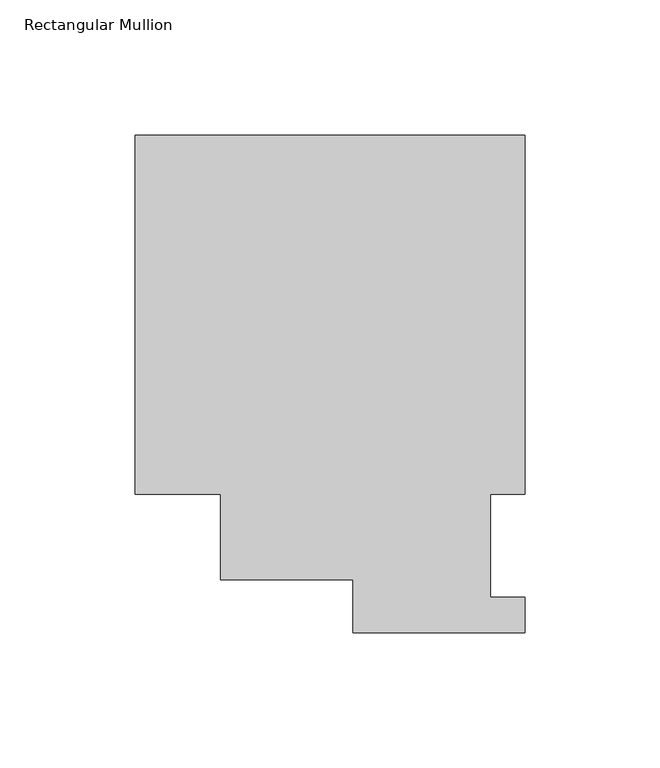
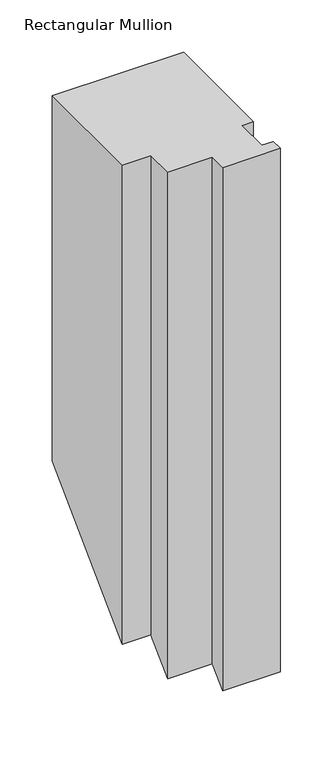
"""IFC4 building model written with IfcOpenShell, lengths in millimetres: member geometry, Rectangular Mullion."""

from ifc_helpers import new_model, si_unit, origin, place, context, project, spatial, faceted_brep, source, transform, mapped, element, save


def rectangular_mullion_46b6cf63(model_context):
    return source(origin(), model_context, "Body", "Brep", [
        faceted_brep([(0.0, 184.2396937, 0.0), (-144.3735814, 184.2396937, 0.0), (-144.3735814, 51.2960938, 0.0), (-112.6644875, 51.2960937, 0.0), (-112.6644875, 19.5430757, 0.0), (-63.5000001, 19.5430757, 0.0), (-63.5000001, 0.0134938, 0.0), (0.0, 0.0134938, 0.0), (0.0, 13.1960938, 0.0), (-12.6873001, 13.1960938, 0.0), (-12.6873001, 51.2960938, 0.0), (0.0, 51.2960937, 0.0), (0.0, 51.2960938, -558.2721563), (0.0, 184.2396937, -425.3285563), (-12.6873001, 51.2960937, -558.2721563), (-12.6873001, 13.1960938, -596.3721562), (0.0, 13.1960938, -596.3721562), (0.0, 0.0134938, -609.5547562), (-63.5000001, 0.0134938, -609.5547562), (-63.5000001, 19.5430757, -590.0251743), (-112.6644875, 19.5430757, -590.0251743), (-112.6644875, 51.2960937, -558.2721563), (-144.3735814, 51.2960938, -558.2721562), (-144.3735814, 184.2396937, -425.3285563)], [[[0, 1, 2, 3, 4, 5, 6, 7, 8, 9, 10, 11]], [[0, 11, 12, 13]], [[11, 10, 14, 12]], [[10, 9, 15, 14]], [[9, 8, 16, 15]], [[8, 7, 17, 16]], [[7, 6, 18, 17]], [[6, 5, 19, 18]], [[5, 4, 20, 19]], [[4, 3, 21, 20]], [[3, 2, 22, 21]], [[2, 1, 23, 22]], [[1, 0, 13, 23]], [[13, 12, 14, 15, 16, 17, 18, 19, 20, 21, 22, 23]]]),
    ])


if __name__ == "__main__":
    model = new_model("IFC4")
    model_context = context("Model", 3, world=origin())
    ifc_project = project(units=[si_unit("LENGTHUNIT", "METRE", prefix="MILLI")], contexts=[model_context])
    site = spatial("IfcSite", under=ifc_project)
    building = spatial("IfcBuilding", under=site)
    placement = place(None, origin())
    rectangular_mullion_shape = rectangular_mullion_46b6cf63(model_context)
    element("IfcMember", 1, ObjectType="Rectangular Mullion", at=placement, inside=building, context=model_context, shape_type="MappedRepresentation", body=[
        mapped(rectangular_mullion_shape, transform((0.0, 0.0, 0.0), x_axis=(1.0, 0.0, 0.0), y_axis=(0.0, 1.0, 0.0), z_axis=(0.0, 0.0, 1.0))),
    ])
    save(model, "model.ifc")
